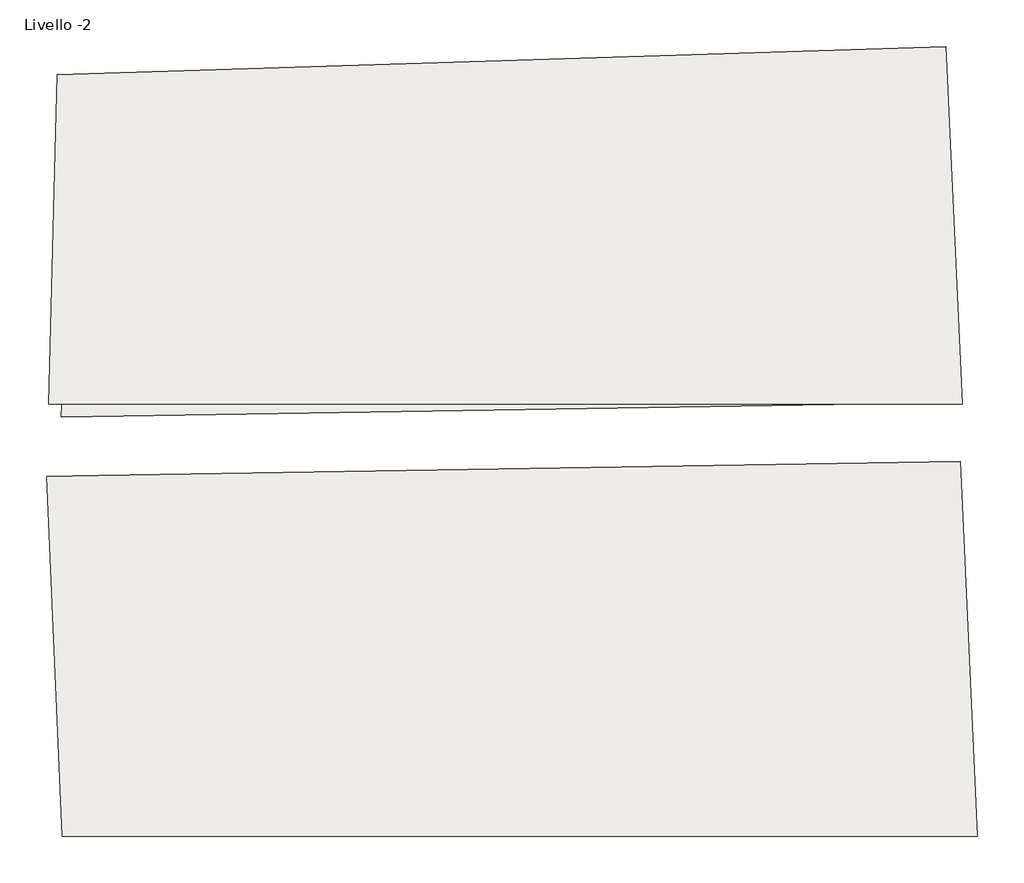
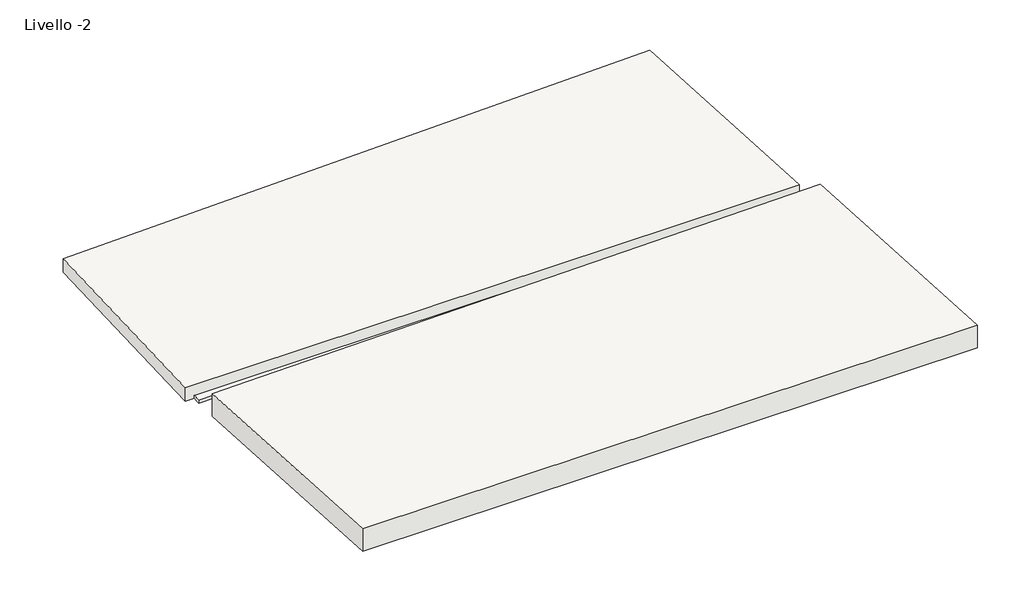
# One storey, part 2 of 3: 3 slabs.
"""IFC4 building model written with IfcOpenShell, lengths in millimetres."""

from ifc_helpers import new_model, si_unit, point, frame, frame_2d, origin, place, context, project, spatial, polyline, circle_curve, trimmed, segment, composite_curve, outline, extrude, element, save

model = new_model("IFC4")

# Units and contexts
model_context = context("Model", 3, world=origin())
ifc_project = project(units=[si_unit("LENGTHUNIT", "METRE", prefix="MILLI")], contexts=[model_context])

# Site, building, storey
site = spatial("IfcSite", under=ifc_project)
building = spatial("IfcBuilding", under=site)
storey = spatial("IfcBuildingStorey", under=building, Name="Livello -2", Elevation=-3950.0)

# Slabs
placement = place(None, origin())
element("IfcSlab", 1, at=placement, inside=storey, context=model_context, shape_type="SweptSolid", body=[
    extrude(outline(composite_curve([segment(polyline([(5747.066039, 1743.4806511), (-1979.6152137, 1743.4806511), (-1905.7756308, 4530.7379973)]), True, "CONTINUOUS"), segment(trimmed(circle_curve(frame_2d((-6894.3181347, 279029.6912929)), 274544.2786085), [point((-1905.7756308, 4530.7379973))], [point((5609.0753997, 4770.2774767))], True, "CARTESIAN"), True, "CONTINUOUS"), segment(polyline([(5609.0753997, 4770.2774767), (5747.066039, 1743.4806511)]), True, "CONTINUOUS")], self_intersect=False)), frame((0.0, 0.0, -3950.0), z_axis=(0.0, 0.0, 1.0), x_axis=(1.0, 0.0, 0.0)), (0.0, 0.0, 1.0), 180.0),
])
element("IfcSlab", 2, at=placement, inside=storey, context=model_context, shape_type="SweptSolid", body=[
    extrude(outline(polyline([(-1763.5137333, 4131.015517), (5496.623913, 4280.1955862), (5510.5365482, 4111.6240143), (5704.7025663, 1759.0236335), (-1874.2486606, 1636.3376092), (-1763.5137333, 4131.015517)])), frame((0.0, 0.0, -3950.0), z_axis=(0.0, 0.0, 1.0), x_axis=(1.0, 0.0, 0.0)), (0.0, 0.0, 1.0), 40.0),
])
element("IfcSlab", 3, ObjectType="Latero Cementizio - 30 cm", at=placement, inside=storey, context=model_context, shape_type="SweptSolid", body=[
    extrude(outline(composite_curve([segment(polyline([(5875.8440382, -1913.4406888), (-1862.3004681, -1913.4406888), (-1997.1692703, 1133.4026094)]), True, "CONTINUOUS"), segment(trimmed(circle_curve(frame_2d((-6766.2619372, 275636.2562773)), 274544.2786085), [point((-1997.1692703, 1133.4026094))], [point((-1555.3188654, 1141.4348526))], True, "CARTESIAN"), True, "CONTINUOUS"), segment(polyline([(-1555.3188654, 1141.4348526), (5731.1959017, 1259.3869941), (5875.8440382, -1913.4406888)]), True, "CONTINUOUS")], self_intersect=False)), frame((0.0, 0.0, -3770.0), z_axis=(0.0, 0.0, 1.0), x_axis=(1.0, 0.0, 0.0)), (0.0, 0.0, 1.0), 300.0),
])

save(model, "model.ifc")
